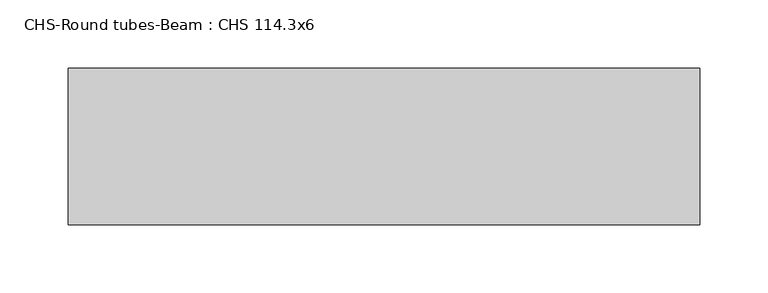
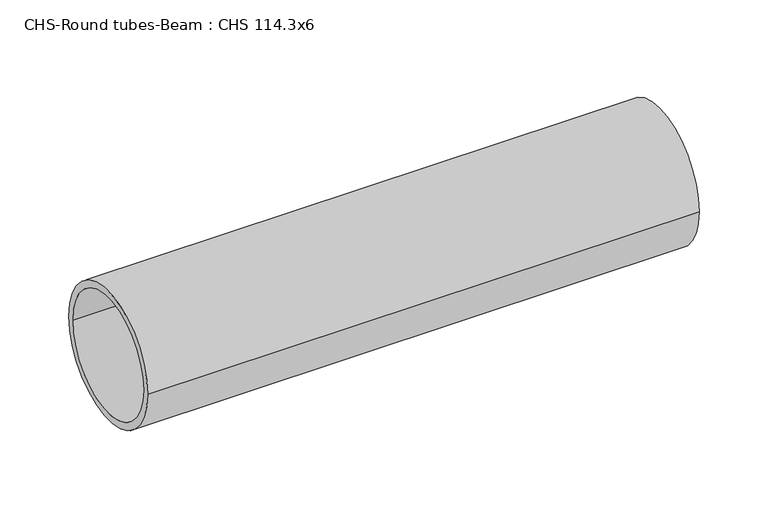
"""IFC4 building model written with IfcOpenShell, lengths in millimetres: beam geometry, CHS-Round tubes-Beam : CHS 114.3x6."""

from ifc_helpers import new_model, si_unit, point, frame, origin, origin_2d, place, context, project, spatial, circle_curve, trimmed, segment, composite_curve, outline, extrude, source, transform, mapped, element, save


def chs_round_tubes_beam_chs_114_3x6_70e30935(model_context):
    return source(origin(), model_context, "Body", "SweptSolid", [
        extrude(outline(composite_curve([segment(trimmed(circle_curve(origin_2d(), 57.15), [point((57.15, 0.0))], [point((-57.15, 0.0))], False, "CARTESIAN"), True, "CONTINUOUS"), segment(trimmed(circle_curve(origin_2d(), 57.15), [point((-57.15, 0.0))], [point((57.15, 0.0))], False, "CARTESIAN"), True, "CONTINUOUS")], self_intersect=False), holes=[composite_curve([segment(trimmed(circle_curve(origin_2d(), 51.15), [point((51.15, 0.0))], [point((-51.15, 0.0))], True, "CARTESIAN"), True, "CONTINUOUS"), segment(trimmed(circle_curve(origin_2d(), 51.15), [point((-51.15, 0.0))], [point((51.15, 0.0))], True, "CARTESIAN"), True, "CONTINUOUS")], self_intersect=False)]), frame((-214.7912009, 0.0, 0.0), z_axis=(1.0, 0.0, 0.0), x_axis=(0.0, 1.0, 0.0)), (0.0, 0.0, 1.0), 462.0181026),
    ])


if __name__ == "__main__":
    model = new_model("IFC4")
    model_context = context("Model", 3, world=origin())
    ifc_project = project(units=[si_unit("LENGTHUNIT", "METRE", prefix="MILLI")], contexts=[model_context])
    site = spatial("IfcSite", under=ifc_project)
    building = spatial("IfcBuilding", under=site)
    placement = place(None, origin())
    chs_round_tubes_beam_chs_114_3x6_shape = chs_round_tubes_beam_chs_114_3x6_70e30935(model_context)
    element("IfcBeam", 1, ObjectType="CHS-Round tubes-Beam : CHS 114.3x6", at=placement, inside=building, context=model_context, shape_type="MappedRepresentation", body=[
        mapped(chs_round_tubes_beam_chs_114_3x6_shape, transform((0.0, 0.0, 0.0), x_axis=(1.0, 0.0, 0.0), y_axis=(0.0, 1.0, 0.0), z_axis=(0.0, 0.0, 1.0))),
    ])
    save(model, "model.ifc")
